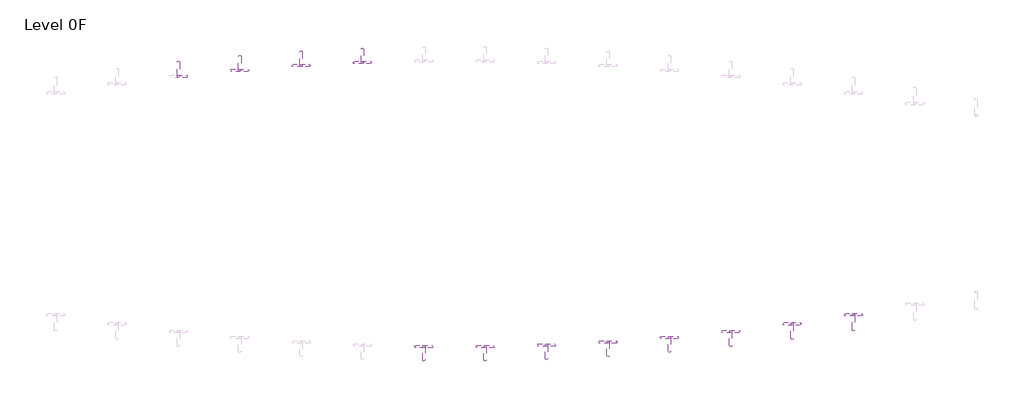
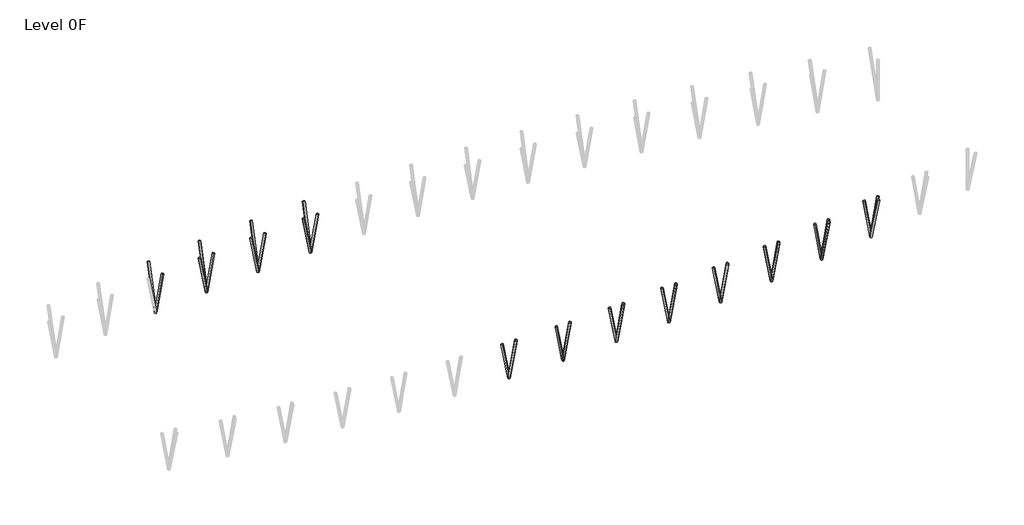
# One storey, part 2 of 3: 35 columns.
"""IFC4 building model written with IfcOpenShell, lengths in millimetres."""

from ifc_helpers import new_model, si_unit, point, frame, frame_2d, origin, place, context, project, spatial, circle_curve, trimmed, segment, composite_curve, outline, extrude, element, save

model = new_model("IFC4")

# Units and contexts
model_context = context("Model", 3, world=origin())
ifc_project = project(units=[si_unit("LENGTHUNIT", "METRE", prefix="MILLI")], contexts=[model_context])

# Site, building, storey
site = spatial("IfcSite", under=ifc_project)
building = spatial("IfcBuilding", under=site)
storey = spatial("IfcBuildingStorey", under=building, Name="Level 0F", Elevation=-1600.0)

# Columns
placement = place(None, origin())
element("IfcColumn", 1, ObjectType="CHS-Round tubes-Column : CHS 244.5x6", at=placement, inside=storey, context=model_context, shape_type="SweptSolid", body=[
    extrude(outline(composite_curve([segment(trimmed(circle_curve(frame_2d((0.0, -122.25)), 122.25), [point((0.0, -244.5))], [point((0.0, 0.0))], False, "CARTESIAN"), True, "CONTINUOUS"), segment(trimmed(circle_curve(frame_2d((0.0, -122.25)), 122.25), [point((0.0, 0.0))], [point((0.0, -244.5))], False, "CARTESIAN"), True, "CONTINUOUS")], self_intersect=False), holes=[composite_curve([segment(trimmed(circle_curve(frame_2d((0.0, -122.25)), 116.25), [point((0.0, -238.5))], [point((0.0, -6.0))], True, "CARTESIAN"), True, "CONTINUOUS"), segment(trimmed(circle_curve(frame_2d((0.0, -122.25)), 116.25), [point((0.0, -6.0))], [point((0.0, -238.5))], True, "CARTESIAN"), True, "CONTINUOUS")], self_intersect=False)]), frame((-20300.4216814, 32861.789376, -100.0), z_axis=(0.0, 0.2567079480598699, 0.9664890218739638), x_axis=(0.0, 0.9664890218739638, -0.2567079480598699)), (0.0, 0.0, 1.0), 5276.8272557),
])
element("IfcColumn", 2, ObjectType="CHS-Round tubes-Column : CHS 244.5x6", at=placement, inside=storey, context=model_context, shape_type="SweptSolid", body=[
    extrude(outline(composite_curve([segment(trimmed(circle_curve(frame_2d((0.0, -122.25)), 122.25), [point((0.0, -244.5))], [point((0.0, 0.0))], False, "CARTESIAN"), True, "CONTINUOUS"), segment(trimmed(circle_curve(frame_2d((0.0, -122.25)), 122.25), [point((0.0, 0.0))], [point((0.0, -244.5))], False, "CARTESIAN"), True, "CONTINUOUS")], self_intersect=False), holes=[composite_curve([segment(trimmed(circle_curve(frame_2d((0.0, -122.25)), 116.25), [point((0.0, -238.5))], [point((0.0, -6.0))], True, "CARTESIAN"), True, "CONTINUOUS"), segment(trimmed(circle_curve(frame_2d((0.0, -122.25)), 116.25), [point((0.0, -6.0))], [point((0.0, -238.5))], True, "CARTESIAN"), True, "CONTINUOUS")], self_intersect=False)]), frame((-14418.0668452, 33445.2054656, -100.0), z_axis=(0.0, 0.25142450676451367, 0.9678769123179978), x_axis=(0.0, 0.9678769123179978, -0.25142450676451367)), (0.0, 0.0, 1.0), 5269.2604927),
])
element("IfcColumn", 3, ObjectType="CHS-Round tubes-Column : CHS 244.5x6", at=placement, inside=storey, context=model_context, shape_type="SweptSolid", body=[
    extrude(outline(composite_curve([segment(trimmed(circle_curve(frame_2d((0.0, -122.25)), 122.25), [point((0.0, -244.5))], [point((0.0, 0.0))], False, "CARTESIAN"), True, "CONTINUOUS"), segment(trimmed(circle_curve(frame_2d((0.0, -122.25)), 122.25), [point((0.0, 0.0))], [point((0.0, -244.5))], False, "CARTESIAN"), True, "CONTINUOUS")], self_intersect=False), holes=[composite_curve([segment(trimmed(circle_curve(frame_2d((0.0, -122.25)), 116.25), [point((0.0, -238.5))], [point((0.0, -6.0))], True, "CARTESIAN"), True, "CONTINUOUS"), segment(trimmed(circle_curve(frame_2d((0.0, -122.25)), 116.25), [point((0.0, -6.0))], [point((0.0, -238.5))], True, "CARTESIAN"), True, "CONTINUOUS")], self_intersect=False)]), frame((-8535.712009, 33882.533172, -100.0), z_axis=(0.0, 0.2474888909356935, 0.9688907311267976), x_axis=(0.0, 0.9688907311267976, -0.2474888909356935)), (0.0, 0.0, 1.0), 5263.7468645),
])
element("IfcColumn", 4, ObjectType="CHS-Round tubes-Column : CHS 244.5x6", at=placement, inside=storey, context=model_context, shape_type="SweptSolid", body=[
    extrude(outline(composite_curve([segment(trimmed(circle_curve(frame_2d((0.0, -122.25)), 122.25), [point((0.0, -244.5))], [point((0.0, 0.0))], False, "CARTESIAN"), True, "CONTINUOUS"), segment(trimmed(circle_curve(frame_2d((0.0, -122.25)), 122.25), [point((0.0, 0.0))], [point((0.0, -244.5))], False, "CARTESIAN"), True, "CONTINUOUS")], self_intersect=False), holes=[composite_curve([segment(trimmed(circle_curve(frame_2d((0.0, -122.25)), 116.25), [point((0.0, -238.5))], [point((0.0, -6.0))], True, "CARTESIAN"), True, "CONTINUOUS"), segment(trimmed(circle_curve(frame_2d((0.0, -122.25)), 116.25), [point((0.0, -6.0))], [point((0.0, -238.5))], True, "CARTESIAN"), True, "CONTINUOUS")], self_intersect=False)]), frame((-2653.3571728, 34173.9303154, -100.0), z_axis=(0.0, 0.24488595042368327, 0.9695518920022226), x_axis=(0.0, 0.9695518920022226, -0.24488595042368327)), (0.0, 0.0, 1.0), 5260.1573692),
])
element("IfcColumn", 5, ObjectType="CHS-Round tubes-Column : CHS 244.5x6", at=placement, inside=storey, context=model_context, shape_type="SweptSolid", body=[
    extrude(outline(composite_curve([segment(trimmed(circle_curve(frame_2d((0.0, -122.25)), 122.25), [point((0.0, -244.5))], [point((0.0, 0.0))], False, "CARTESIAN"), True, "CONTINUOUS"), segment(trimmed(circle_curve(frame_2d((0.0, -122.25)), 122.25), [point((0.0, 0.0))], [point((0.0, -244.5))], False, "CARTESIAN"), True, "CONTINUOUS")], self_intersect=False), holes=[composite_curve([segment(trimmed(circle_curve(frame_2d((0.0, -122.25)), 116.25), [point((0.0, -238.5))], [point((0.0, -6.0))], True, "CARTESIAN"), True, "CONTINUOUS"), segment(trimmed(circle_curve(frame_2d((0.0, -122.25)), 116.25), [point((0.0, -6.0))], [point((0.0, -238.5))], True, "CARTESIAN"), True, "CONTINUOUS")], self_intersect=False)]), frame((3473.4976633, 6915.9749688, -100.0), z_axis=(0.0, -0.24359208578786784, 0.9698777736093946), x_axis=(0.0, -0.9698777736093946, -0.24359208578786784)), (0.0, 0.0, 1.0), 5258.3899322),
])
element("IfcColumn", 6, ObjectType="CHS-Round tubes-Column : CHS 244.5x6", at=placement, inside=storey, context=model_context, shape_type="SweptSolid", body=[
    extrude(outline(composite_curve([segment(trimmed(circle_curve(frame_2d((0.0, -122.25)), 122.25), [point((0.0, -244.5))], [point((0.0, 0.0))], False, "CARTESIAN"), True, "CONTINUOUS"), segment(trimmed(circle_curve(frame_2d((0.0, -122.25)), 122.25), [point((0.0, 0.0))], [point((0.0, -244.5))], False, "CARTESIAN"), True, "CONTINUOUS")], self_intersect=False), holes=[composite_curve([segment(trimmed(circle_curve(frame_2d((0.0, -122.25)), 116.25), [point((0.0, -238.5))], [point((0.0, -6.0))], True, "CARTESIAN"), True, "CONTINUOUS"), segment(trimmed(circle_curve(frame_2d((0.0, -122.25)), 116.25), [point((0.0, -6.0))], [point((0.0, -238.5))], True, "CARTESIAN"), True, "CONTINUOUS")], self_intersect=False)]), frame((9355.8524995, 6915.9749688, -100.0), z_axis=(0.0, -0.24359208578786828, 0.9698777736093945), x_axis=(0.0, -0.9698777736093945, -0.24359208578786828)), (0.0, 0.0, 1.0), 5258.3899322),
])
element("IfcColumn", 7, ObjectType="CHS-Round tubes-Column : CHS 244.5x6", at=placement, inside=storey, context=model_context, shape_type="SweptSolid", body=[
    extrude(outline(composite_curve([segment(trimmed(circle_curve(frame_2d((0.0, -122.25)), 122.25), [point((0.0, -244.5))], [point((0.0, 0.0))], False, "CARTESIAN"), True, "CONTINUOUS"), segment(trimmed(circle_curve(frame_2d((0.0, -122.25)), 122.25), [point((0.0, 0.0))], [point((0.0, -244.5))], False, "CARTESIAN"), True, "CONTINUOUS")], self_intersect=False), holes=[composite_curve([segment(trimmed(circle_curve(frame_2d((0.0, -122.25)), 116.25), [point((0.0, -238.5))], [point((0.0, -6.0))], True, "CARTESIAN"), True, "CONTINUOUS"), segment(trimmed(circle_curve(frame_2d((0.0, -122.25)), 116.25), [point((0.0, -6.0))], [point((0.0, -238.5))], True, "CARTESIAN"), True, "CONTINUOUS")], self_intersect=False)]), frame((15238.2073357, 7061.6198873, -100.0), z_axis=(0.0, -0.24488595042368555, 0.9695518920022219), x_axis=(0.0, -0.9695518920022219, -0.24488595042368555)), (0.0, 0.0, 1.0), 5260.1573692),
])
element("IfcColumn", 8, ObjectType="CHS-Round tubes-Column : CHS 244.5x6", at=placement, inside=storey, context=model_context, shape_type="SweptSolid", body=[
    extrude(outline(composite_curve([segment(trimmed(circle_curve(frame_2d((0.0, -122.25)), 122.25), [point((0.0, -244.5))], [point((0.0, 0.0))], False, "CARTESIAN"), True, "CONTINUOUS"), segment(trimmed(circle_curve(frame_2d((0.0, -122.25)), 122.25), [point((0.0, 0.0))], [point((0.0, -244.5))], False, "CARTESIAN"), True, "CONTINUOUS")], self_intersect=False), holes=[composite_curve([segment(trimmed(circle_curve(frame_2d((0.0, -122.25)), 116.25), [point((0.0, -238.5))], [point((0.0, -6.0))], True, "CARTESIAN"), True, "CONTINUOUS"), segment(trimmed(circle_curve(frame_2d((0.0, -122.25)), 116.25), [point((0.0, -6.0))], [point((0.0, -238.5))], True, "CARTESIAN"), True, "CONTINUOUS")], self_intersect=False)]), frame((21120.5621719, 7353.0170307, -100.0), z_axis=(0.0, -0.24748889093569654, 0.9688907311267969), x_axis=(0.0, -0.9688907311267969, -0.24748889093569654)), (0.0, 0.0, 1.0), 5263.7468645),
])
element("IfcColumn", 9, ObjectType="CHS-Round tubes-Column : CHS 244.5x6", at=placement, inside=storey, context=model_context, shape_type="SweptSolid", body=[
    extrude(outline(composite_curve([segment(trimmed(circle_curve(frame_2d((0.0, -122.25)), 122.25), [point((0.0, -244.5))], [point((0.0, 0.0))], False, "CARTESIAN"), True, "CONTINUOUS"), segment(trimmed(circle_curve(frame_2d((0.0, -122.25)), 122.25), [point((0.0, 0.0))], [point((0.0, -244.5))], False, "CARTESIAN"), True, "CONTINUOUS")], self_intersect=False), holes=[composite_curve([segment(trimmed(circle_curve(frame_2d((0.0, -122.25)), 116.25), [point((0.0, -238.5))], [point((0.0, -6.0))], True, "CARTESIAN"), True, "CONTINUOUS"), segment(trimmed(circle_curve(frame_2d((0.0, -122.25)), 116.25), [point((0.0, -6.0))], [point((0.0, -238.5))], True, "CARTESIAN"), True, "CONTINUOUS")], self_intersect=False)]), frame((27002.9170081, 7790.3447371, -100.0), z_axis=(0.0, -0.2514245067645076, 0.9678769123179993), x_axis=(0.0, -0.9678769123179993, -0.2514245067645076)), (0.0, 0.0, 1.0), 5269.2604927),
])
element("IfcColumn", 10, ObjectType="CHS-Round tubes-Column : CHS 244.5x6", at=placement, inside=storey, context=model_context, shape_type="SweptSolid", body=[
    extrude(outline(composite_curve([segment(trimmed(circle_curve(frame_2d((0.0, -122.25)), 122.25), [point((0.0, -244.5))], [point((0.0, 0.0))], False, "CARTESIAN"), True, "CONTINUOUS"), segment(trimmed(circle_curve(frame_2d((0.0, -122.25)), 122.25), [point((0.0, 0.0))], [point((0.0, -244.5))], False, "CARTESIAN"), True, "CONTINUOUS")], self_intersect=False), holes=[composite_curve([segment(trimmed(circle_curve(frame_2d((0.0, -122.25)), 116.25), [point((0.0, -238.5))], [point((0.0, -6.0))], True, "CARTESIAN"), True, "CONTINUOUS"), segment(trimmed(circle_curve(frame_2d((0.0, -122.25)), 116.25), [point((0.0, -6.0))], [point((0.0, -238.5))], True, "CARTESIAN"), True, "CONTINUOUS")], self_intersect=False)]), frame((32885.2718442, 8373.7608267, -100.0), z_axis=(0.0, -0.25670794805985836, 0.9664890218739669), x_axis=(0.0, -0.9664890218739669, -0.25670794805985836)), (0.0, 0.0, 1.0), 5276.8272557),
])
element("IfcColumn", 11, ObjectType="CHS-Round tubes-Column : CHS 244.5x6", at=placement, inside=storey, context=model_context, shape_type="SweptSolid", body=[
    extrude(outline(composite_curve([segment(trimmed(circle_curve(frame_2d((0.0, -122.25)), 122.25), [point((0.0, -244.5))], [point((0.0, 0.0))], False, "CARTESIAN"), True, "CONTINUOUS"), segment(trimmed(circle_curve(frame_2d((0.0, -122.25)), 122.25), [point((0.0, 0.0))], [point((0.0, -244.5))], False, "CARTESIAN"), True, "CONTINUOUS")], self_intersect=False), holes=[composite_curve([segment(trimmed(circle_curve(frame_2d((0.0, -122.25)), 116.25), [point((0.0, -238.5))], [point((0.0, -6.0))], True, "CARTESIAN"), True, "CONTINUOUS"), segment(trimmed(circle_curve(frame_2d((0.0, -122.25)), 116.25), [point((0.0, -6.0))], [point((0.0, -238.5))], True, "CARTESIAN"), True, "CONTINUOUS")], self_intersect=False)]), frame((38767.6266804, 9103.2108385, -100.0), z_axis=(0.0, -0.26331165761145847, 0.9647108224571268), x_axis=(0.0, -0.9647108224571268, -0.26331165761145847)), (0.0, 0.0, 1.0), 5286.5537947),
])
element("IfcColumn", 12, ObjectType="CHS-Round tubes-Column : CHS 244.5x6", at=placement, inside=storey, context=model_context, shape_type="SweptSolid", body=[
    extrude(outline(composite_curve([segment(trimmed(circle_curve(frame_2d((0.0, -122.25)), 122.25), [point((0.0, -244.5))], [point((0.0, 0.0))], False, "CARTESIAN"), True, "CONTINUOUS"), segment(trimmed(circle_curve(frame_2d((0.0, -122.25)), 122.25), [point((0.0, 0.0))], [point((0.0, -244.5))], False, "CARTESIAN"), True, "CONTINUOUS")], self_intersect=False), holes=[composite_curve([segment(trimmed(circle_curve(frame_2d((0.0, -122.25)), 116.25), [point((0.0, -238.5))], [point((0.0, -6.0))], True, "CARTESIAN"), True, "CONTINUOUS"), segment(trimmed(circle_curve(frame_2d((0.0, -122.25)), 116.25), [point((0.0, -6.0))], [point((0.0, -238.5))], True, "CARTESIAN"), True, "CONTINUOUS")], self_intersect=False)]), frame((44649.9815166, 9978.0521776, -100.0), z_axis=(0.0, -0.2711002690804274, 0.9625511124633954), x_axis=(0.0, -0.9625511124633954, -0.2711002690804274)), (0.0, 0.0, 1.0), 5298.4154803),
])
element("IfcColumn", 13, ObjectType="CHS-Round tubes-Column : CHS 244.5x6", at=placement, inside=storey, context=model_context, shape_type="SweptSolid", body=[
    extrude(outline(composite_curve([segment(trimmed(circle_curve(frame_2d((0.0, -122.25)), 122.25), [point((0.0, -244.5))], [point((0.0, 0.0))], False, "CARTESIAN"), True, "CONTINUOUS"), segment(trimmed(circle_curve(frame_2d((0.0, -122.25)), 122.25), [point((0.0, 0.0))], [point((0.0, -244.5))], False, "CARTESIAN"), True, "CONTINUOUS")], self_intersect=False), holes=[composite_curve([segment(trimmed(circle_curve(frame_2d((0.0, -122.25)), 116.25), [point((0.0, -238.5))], [point((0.0, -6.0))], True, "CARTESIAN"), True, "CONTINUOUS"), segment(trimmed(circle_curve(frame_2d((0.0, -122.25)), 116.25), [point((0.0, -6.0))], [point((0.0, -238.5))], True, "CARTESIAN"), True, "CONTINUOUS")], self_intersect=False)]), frame((-20178.1716814, 32984.039376, -100.0), z_axis=(0.17384494441151727, 0.0, 0.9847730374571374), x_axis=(0.9847730374571374, 0.0, -0.17384494441151727)), (0.0, 0.0, 1.0), 4314.1893055),
])
element("IfcColumn", 14, ObjectType="CHS-Round tubes-Column : CHS 244.5x6", at=placement, inside=storey, context=model_context, shape_type="SweptSolid", body=[
    extrude(outline(composite_curve([segment(trimmed(circle_curve(frame_2d((0.0, -122.25)), 122.25), [point((0.0, -244.5))], [point((0.0, 0.0))], False, "CARTESIAN"), True, "CONTINUOUS"), segment(trimmed(circle_curve(frame_2d((0.0, -122.25)), 122.25), [point((0.0, 0.0))], [point((0.0, -244.5))], False, "CARTESIAN"), True, "CONTINUOUS")], self_intersect=False), holes=[composite_curve([segment(trimmed(circle_curve(frame_2d((0.0, -122.25)), 116.25), [point((0.0, -238.5))], [point((0.0, -6.0))], True, "CARTESIAN"), True, "CONTINUOUS"), segment(trimmed(circle_curve(frame_2d((0.0, -122.25)), 116.25), [point((0.0, -6.0))], [point((0.0, -238.5))], True, "CARTESIAN"), True, "CONTINUOUS")], self_intersect=False)]), frame((-14295.8168452, 33567.4554656, -100.0), z_axis=(0.17567462869517886, 0.0, 0.9844482844887339), x_axis=(0.9844482844887339, 0.0, -0.17567462869517886)), (0.0, 0.0, 1.0), 4269.2562129),
])
element("IfcColumn", 15, ObjectType="CHS-Round tubes-Column : CHS 244.5x6", at=placement, inside=storey, context=model_context, shape_type="SweptSolid", body=[
    extrude(outline(composite_curve([segment(trimmed(circle_curve(frame_2d((0.0, -122.25)), 122.25), [point((0.0, -244.5))], [point((0.0, 0.0))], False, "CARTESIAN"), True, "CONTINUOUS"), segment(trimmed(circle_curve(frame_2d((0.0, -122.25)), 122.25), [point((0.0, 0.0))], [point((0.0, -244.5))], False, "CARTESIAN"), True, "CONTINUOUS")], self_intersect=False), holes=[composite_curve([segment(trimmed(circle_curve(frame_2d((0.0, -122.25)), 116.25), [point((0.0, -238.5))], [point((0.0, -6.0))], True, "CARTESIAN"), True, "CONTINUOUS"), segment(trimmed(circle_curve(frame_2d((0.0, -122.25)), 116.25), [point((0.0, -6.0))], [point((0.0, -238.5))], True, "CARTESIAN"), True, "CONTINUOUS")], self_intersect=False)]), frame((-14295.8168452, 33322.9554656, -100.0), z_axis=(-0.17567462869517886, 0.0, 0.9844482844887339), x_axis=(-0.9844482844887339, 0.0, -0.17567462869517886)), (0.0, 0.0, 1.0), 4269.2562129),
])
element("IfcColumn", 16, ObjectType="CHS-Round tubes-Column : CHS 244.5x6", at=placement, inside=storey, context=model_context, shape_type="SweptSolid", body=[
    extrude(outline(composite_curve([segment(trimmed(circle_curve(frame_2d((0.0, -122.25)), 122.25), [point((0.0, -244.5))], [point((0.0, 0.0))], False, "CARTESIAN"), True, "CONTINUOUS"), segment(trimmed(circle_curve(frame_2d((0.0, -122.25)), 122.25), [point((0.0, 0.0))], [point((0.0, -244.5))], False, "CARTESIAN"), True, "CONTINUOUS")], self_intersect=False), holes=[composite_curve([segment(trimmed(circle_curve(frame_2d((0.0, -122.25)), 116.25), [point((0.0, -238.5))], [point((0.0, -6.0))], True, "CARTESIAN"), True, "CONTINUOUS"), segment(trimmed(circle_curve(frame_2d((0.0, -122.25)), 116.25), [point((0.0, -6.0))], [point((0.0, -238.5))], True, "CARTESIAN"), True, "CONTINUOUS")], self_intersect=False)]), frame((-8413.462009, 34004.783172, -100.0), z_axis=(0.17697230239487147, 0.0, 0.984215832114612), x_axis=(0.984215832114612, 0.0, -0.17697230239487147)), (0.0, 0.0, 1.0), 4237.9513057),
])
element("IfcColumn", 17, ObjectType="CHS-Round tubes-Column : CHS 244.5x6", at=placement, inside=storey, context=model_context, shape_type="SweptSolid", body=[
    extrude(outline(composite_curve([segment(trimmed(circle_curve(frame_2d((0.0, -122.25)), 122.25), [point((0.0, -244.5))], [point((0.0, 0.0))], False, "CARTESIAN"), True, "CONTINUOUS"), segment(trimmed(circle_curve(frame_2d((0.0, -122.25)), 122.25), [point((0.0, 0.0))], [point((0.0, -244.5))], False, "CARTESIAN"), True, "CONTINUOUS")], self_intersect=False), holes=[composite_curve([segment(trimmed(circle_curve(frame_2d((0.0, -122.25)), 116.25), [point((0.0, -238.5))], [point((0.0, -6.0))], True, "CARTESIAN"), True, "CONTINUOUS"), segment(trimmed(circle_curve(frame_2d((0.0, -122.25)), 116.25), [point((0.0, -6.0))], [point((0.0, -238.5))], True, "CARTESIAN"), True, "CONTINUOUS")], self_intersect=False)]), frame((-8413.462009, 33760.283172, -100.0), z_axis=(-0.17697230239487147, 0.0, 0.984215832114612), x_axis=(-0.984215832114612, 0.0, -0.17697230239487147)), (0.0, 0.0, 1.0), 4237.9513057),
])
element("IfcColumn", 18, ObjectType="CHS-Round tubes-Column : CHS 244.5x6", at=placement, inside=storey, context=model_context, shape_type="SweptSolid", body=[
    extrude(outline(composite_curve([segment(trimmed(circle_curve(frame_2d((0.0, -122.25)), 122.25), [point((0.0, -244.5))], [point((0.0, 0.0))], False, "CARTESIAN"), True, "CONTINUOUS"), segment(trimmed(circle_curve(frame_2d((0.0, -122.25)), 122.25), [point((0.0, 0.0))], [point((0.0, -244.5))], False, "CARTESIAN"), True, "CONTINUOUS")], self_intersect=False), holes=[composite_curve([segment(trimmed(circle_curve(frame_2d((0.0, -122.25)), 116.25), [point((0.0, -238.5))], [point((0.0, -6.0))], True, "CARTESIAN"), True, "CONTINUOUS"), segment(trimmed(circle_curve(frame_2d((0.0, -122.25)), 116.25), [point((0.0, -6.0))], [point((0.0, -238.5))], True, "CARTESIAN"), True, "CONTINUOUS")], self_intersect=False)]), frame((-2531.1071728, 34296.1803154, -100.0), z_axis=(0.17780283317114165, 0.0, 0.9840661321864071), x_axis=(0.9840661321864071, 0.0, -0.17780283317114165)), (0.0, 0.0, 1.0), 4218.1555076),
])
element("IfcColumn", 19, ObjectType="CHS-Round tubes-Column : CHS 244.5x6", at=placement, inside=storey, context=model_context, shape_type="SweptSolid", body=[
    extrude(outline(composite_curve([segment(trimmed(circle_curve(frame_2d((0.0, -122.25)), 122.25), [point((0.0, -244.5))], [point((0.0, 0.0))], False, "CARTESIAN"), True, "CONTINUOUS"), segment(trimmed(circle_curve(frame_2d((0.0, -122.25)), 122.25), [point((0.0, 0.0))], [point((0.0, -244.5))], False, "CARTESIAN"), True, "CONTINUOUS")], self_intersect=False), holes=[composite_curve([segment(trimmed(circle_curve(frame_2d((0.0, -122.25)), 116.25), [point((0.0, -238.5))], [point((0.0, -6.0))], True, "CARTESIAN"), True, "CONTINUOUS"), segment(trimmed(circle_curve(frame_2d((0.0, -122.25)), 116.25), [point((0.0, -6.0))], [point((0.0, -238.5))], True, "CARTESIAN"), True, "CONTINUOUS")], self_intersect=False)]), frame((-2531.1071728, 34051.6803154, -100.0), z_axis=(-0.17780283317114165, 0.0, 0.9840661321864071), x_axis=(-0.9840661321864071, 0.0, -0.17780283317114165)), (0.0, 0.0, 1.0), 4218.1555076),
])
element("IfcColumn", 20, ObjectType="CHS-Round tubes-Column : CHS 244.5x6", at=placement, inside=storey, context=model_context, shape_type="SweptSolid", body=[
    extrude(outline(composite_curve([segment(trimmed(circle_curve(frame_2d((0.0, -122.25)), 122.25), [point((0.0, -244.5))], [point((0.0, 0.0))], False, "CARTESIAN"), True, "CONTINUOUS"), segment(trimmed(circle_curve(frame_2d((0.0, -122.25)), 122.25), [point((0.0, 0.0))], [point((0.0, -244.5))], False, "CARTESIAN"), True, "CONTINUOUS")], self_intersect=False), holes=[composite_curve([segment(trimmed(circle_curve(frame_2d((0.0, -122.25)), 116.25), [point((0.0, -238.5))], [point((0.0, -6.0))], True, "CARTESIAN"), True, "CONTINUOUS"), segment(trimmed(circle_curve(frame_2d((0.0, -122.25)), 116.25), [point((0.0, -6.0))], [point((0.0, -238.5))], True, "CARTESIAN"), True, "CONTINUOUS")], self_intersect=False)]), frame((3351.2476633, 7038.2249688, -100.0), z_axis=(0.178207937453832, 0.0, 0.9839928511063742), x_axis=(0.9839928511063742, 0.0, -0.178207937453832)), (0.0, 0.0, 1.0), 4208.5667491),
])
element("IfcColumn", 21, ObjectType="CHS-Round tubes-Column : CHS 244.5x6", at=placement, inside=storey, context=model_context, shape_type="SweptSolid", body=[
    extrude(outline(composite_curve([segment(trimmed(circle_curve(frame_2d((0.0, -122.25)), 122.25), [point((0.0, -244.5))], [point((0.0, 0.0))], False, "CARTESIAN"), True, "CONTINUOUS"), segment(trimmed(circle_curve(frame_2d((0.0, -122.25)), 122.25), [point((0.0, 0.0))], [point((0.0, -244.5))], False, "CARTESIAN"), True, "CONTINUOUS")], self_intersect=False), holes=[composite_curve([segment(trimmed(circle_curve(frame_2d((0.0, -122.25)), 116.25), [point((0.0, -238.5))], [point((0.0, -6.0))], True, "CARTESIAN"), True, "CONTINUOUS"), segment(trimmed(circle_curve(frame_2d((0.0, -122.25)), 116.25), [point((0.0, -6.0))], [point((0.0, -238.5))], True, "CARTESIAN"), True, "CONTINUOUS")], self_intersect=False)]), frame((3351.2476633, 6793.7249688, -100.0), z_axis=(-0.1782079374538319, 0.0, 0.9839928511063742), x_axis=(-0.9839928511063742, 0.0, -0.1782079374538319)), (0.0, 0.0, 1.0), 4208.5667491),
])
element("IfcColumn", 22, ObjectType="CHS-Round tubes-Column : CHS 244.5x6", at=placement, inside=storey, context=model_context, shape_type="SweptSolid", body=[
    extrude(outline(composite_curve([segment(trimmed(circle_curve(frame_2d((0.0, -122.25)), 122.25), [point((0.0, -244.5))], [point((0.0, 0.0))], False, "CARTESIAN"), True, "CONTINUOUS"), segment(trimmed(circle_curve(frame_2d((0.0, -122.25)), 122.25), [point((0.0, 0.0))], [point((0.0, -244.5))], False, "CARTESIAN"), True, "CONTINUOUS")], self_intersect=False), holes=[composite_curve([segment(trimmed(circle_curve(frame_2d((0.0, -122.25)), 116.25), [point((0.0, -238.5))], [point((0.0, -6.0))], True, "CARTESIAN"), True, "CONTINUOUS"), segment(trimmed(circle_curve(frame_2d((0.0, -122.25)), 116.25), [point((0.0, -6.0))], [point((0.0, -238.5))], True, "CARTESIAN"), True, "CONTINUOUS")], self_intersect=False)]), frame((9233.6024995, 7038.2249688, -100.0), z_axis=(0.17820793745383104, 0.0, 0.9839928511063744), x_axis=(0.9839928511063744, 0.0, -0.17820793745383104)), (0.0, 0.0, 1.0), 4208.5667491),
])
element("IfcColumn", 23, ObjectType="CHS-Round tubes-Column : CHS 244.5x6", at=placement, inside=storey, context=model_context, shape_type="SweptSolid", body=[
    extrude(outline(composite_curve([segment(trimmed(circle_curve(frame_2d((0.0, -122.25)), 122.25), [point((0.0, -244.5))], [point((0.0, 0.0))], False, "CARTESIAN"), True, "CONTINUOUS"), segment(trimmed(circle_curve(frame_2d((0.0, -122.25)), 122.25), [point((0.0, 0.0))], [point((0.0, -244.5))], False, "CARTESIAN"), True, "CONTINUOUS")], self_intersect=False), holes=[composite_curve([segment(trimmed(circle_curve(frame_2d((0.0, -122.25)), 116.25), [point((0.0, -238.5))], [point((0.0, -6.0))], True, "CARTESIAN"), True, "CONTINUOUS"), segment(trimmed(circle_curve(frame_2d((0.0, -122.25)), 116.25), [point((0.0, -6.0))], [point((0.0, -238.5))], True, "CARTESIAN"), True, "CONTINUOUS")], self_intersect=False)]), frame((9233.6024995, 6793.7249688, -100.0), z_axis=(-0.17820793745383082, 0.0, 0.9839928511063745), x_axis=(-0.9839928511063745, 0.0, -0.17820793745383082)), (0.0, 0.0, 1.0), 4208.5667491),
])
element("IfcColumn", 24, ObjectType="CHS-Round tubes-Column : CHS 244.5x6", at=placement, inside=storey, context=model_context, shape_type="SweptSolid", body=[
    extrude(outline(composite_curve([segment(trimmed(circle_curve(frame_2d((0.0, -122.25)), 122.25), [point((0.0, -244.5))], [point((0.0, 0.0))], False, "CARTESIAN"), True, "CONTINUOUS"), segment(trimmed(circle_curve(frame_2d((0.0, -122.25)), 122.25), [point((0.0, 0.0))], [point((0.0, -244.5))], False, "CARTESIAN"), True, "CONTINUOUS")], self_intersect=False), holes=[composite_curve([segment(trimmed(circle_curve(frame_2d((0.0, -122.25)), 116.25), [point((0.0, -238.5))], [point((0.0, -6.0))], True, "CARTESIAN"), True, "CONTINUOUS"), segment(trimmed(circle_curve(frame_2d((0.0, -122.25)), 116.25), [point((0.0, -6.0))], [point((0.0, -238.5))], True, "CARTESIAN"), True, "CONTINUOUS")], self_intersect=False)]), frame((15115.9573357, 7183.8698873, -100.0), z_axis=(0.17780283317114132, 0.0, 0.9840661321864071), x_axis=(0.9840661321864071, 0.0, -0.17780283317114132)), (0.0, 0.0, 1.0), 4218.1555076),
])
element("IfcColumn", 25, ObjectType="CHS-Round tubes-Column : CHS 244.5x6", at=placement, inside=storey, context=model_context, shape_type="SweptSolid", body=[
    extrude(outline(composite_curve([segment(trimmed(circle_curve(frame_2d((0.0, -122.25)), 122.25), [point((0.0, -244.5))], [point((0.0, 0.0))], False, "CARTESIAN"), True, "CONTINUOUS"), segment(trimmed(circle_curve(frame_2d((0.0, -122.25)), 122.25), [point((0.0, 0.0))], [point((0.0, -244.5))], False, "CARTESIAN"), True, "CONTINUOUS")], self_intersect=False), holes=[composite_curve([segment(trimmed(circle_curve(frame_2d((0.0, -122.25)), 116.25), [point((0.0, -238.5))], [point((0.0, -6.0))], True, "CARTESIAN"), True, "CONTINUOUS"), segment(trimmed(circle_curve(frame_2d((0.0, -122.25)), 116.25), [point((0.0, -6.0))], [point((0.0, -238.5))], True, "CARTESIAN"), True, "CONTINUOUS")], self_intersect=False)]), frame((15115.9573357, 6939.3698873, -100.0), z_axis=(-0.17780283317114132, 0.0, 0.9840661321864071), x_axis=(-0.9840661321864071, 0.0, -0.17780283317114132)), (0.0, 0.0, 1.0), 4218.1555076),
])
element("IfcColumn", 26, ObjectType="CHS-Round tubes-Column : CHS 244.5x6", at=placement, inside=storey, context=model_context, shape_type="SweptSolid", body=[
    extrude(outline(composite_curve([segment(trimmed(circle_curve(frame_2d((0.0, -122.25)), 122.25), [point((0.0, -244.5))], [point((0.0, 0.0))], False, "CARTESIAN"), True, "CONTINUOUS"), segment(trimmed(circle_curve(frame_2d((0.0, -122.25)), 122.25), [point((0.0, 0.0))], [point((0.0, -244.5))], False, "CARTESIAN"), True, "CONTINUOUS")], self_intersect=False), holes=[composite_curve([segment(trimmed(circle_curve(frame_2d((0.0, -122.25)), 116.25), [point((0.0, -238.5))], [point((0.0, -6.0))], True, "CARTESIAN"), True, "CONTINUOUS"), segment(trimmed(circle_curve(frame_2d((0.0, -122.25)), 116.25), [point((0.0, -6.0))], [point((0.0, -238.5))], True, "CARTESIAN"), True, "CONTINUOUS")], self_intersect=False)]), frame((20998.3121719, 7475.2670307, -100.0), z_axis=(0.17697230239486814, 0.0, 0.9842158321146126), x_axis=(0.9842158321146126, 0.0, -0.17697230239486814)), (0.0, 0.0, 1.0), 4237.9513057),
])
element("IfcColumn", 27, ObjectType="CHS-Round tubes-Column : CHS 244.5x6", at=placement, inside=storey, context=model_context, shape_type="SweptSolid", body=[
    extrude(outline(composite_curve([segment(trimmed(circle_curve(frame_2d((0.0, -122.25)), 122.25), [point((0.0, -244.5))], [point((0.0, 0.0))], False, "CARTESIAN"), True, "CONTINUOUS"), segment(trimmed(circle_curve(frame_2d((0.0, -122.25)), 122.25), [point((0.0, 0.0))], [point((0.0, -244.5))], False, "CARTESIAN"), True, "CONTINUOUS")], self_intersect=False), holes=[composite_curve([segment(trimmed(circle_curve(frame_2d((0.0, -122.25)), 116.25), [point((0.0, -238.5))], [point((0.0, -6.0))], True, "CARTESIAN"), True, "CONTINUOUS"), segment(trimmed(circle_curve(frame_2d((0.0, -122.25)), 116.25), [point((0.0, -6.0))], [point((0.0, -238.5))], True, "CARTESIAN"), True, "CONTINUOUS")], self_intersect=False)]), frame((20998.3121719, 7230.7670307, -100.0), z_axis=(-0.17697230239486814, 0.0, 0.9842158321146126), x_axis=(-0.9842158321146126, 0.0, -0.17697230239486814)), (0.0, 0.0, 1.0), 4237.9513057),
])
element("IfcColumn", 28, ObjectType="CHS-Round tubes-Column : CHS 244.5x6", at=placement, inside=storey, context=model_context, shape_type="SweptSolid", body=[
    extrude(outline(composite_curve([segment(trimmed(circle_curve(frame_2d((0.0, -122.25)), 122.25), [point((0.0, -244.5))], [point((0.0, 0.0))], False, "CARTESIAN"), True, "CONTINUOUS"), segment(trimmed(circle_curve(frame_2d((0.0, -122.25)), 122.25), [point((0.0, 0.0))], [point((0.0, -244.5))], False, "CARTESIAN"), True, "CONTINUOUS")], self_intersect=False), holes=[composite_curve([segment(trimmed(circle_curve(frame_2d((0.0, -122.25)), 116.25), [point((0.0, -238.5))], [point((0.0, -6.0))], True, "CARTESIAN"), True, "CONTINUOUS"), segment(trimmed(circle_curve(frame_2d((0.0, -122.25)), 116.25), [point((0.0, -6.0))], [point((0.0, -238.5))], True, "CARTESIAN"), True, "CONTINUOUS")], self_intersect=False)]), frame((26880.6670081, 7912.5947371, -100.0), z_axis=(0.17567462869517694, 0.0, 0.9844482844887342), x_axis=(0.9844482844887342, 0.0, -0.17567462869517694)), (0.0, 0.0, 1.0), 4269.2562129),
])
element("IfcColumn", 29, ObjectType="CHS-Round tubes-Column : CHS 244.5x6", at=placement, inside=storey, context=model_context, shape_type="SweptSolid", body=[
    extrude(outline(composite_curve([segment(trimmed(circle_curve(frame_2d((0.0, -122.25)), 122.25), [point((0.0, -244.5))], [point((0.0, 0.0))], False, "CARTESIAN"), True, "CONTINUOUS"), segment(trimmed(circle_curve(frame_2d((0.0, -122.25)), 122.25), [point((0.0, 0.0))], [point((0.0, -244.5))], False, "CARTESIAN"), True, "CONTINUOUS")], self_intersect=False), holes=[composite_curve([segment(trimmed(circle_curve(frame_2d((0.0, -122.25)), 116.25), [point((0.0, -238.5))], [point((0.0, -6.0))], True, "CARTESIAN"), True, "CONTINUOUS"), segment(trimmed(circle_curve(frame_2d((0.0, -122.25)), 116.25), [point((0.0, -6.0))], [point((0.0, -238.5))], True, "CARTESIAN"), True, "CONTINUOUS")], self_intersect=False)]), frame((26880.6670081, 7668.0947371, -100.0), z_axis=(-0.17567462869517694, 0.0, 0.9844482844887342), x_axis=(-0.9844482844887342, 0.0, -0.17567462869517694)), (0.0, 0.0, 1.0), 4269.2562129),
])
element("IfcColumn", 30, ObjectType="CHS-Round tubes-Column : CHS 244.5x6", at=placement, inside=storey, context=model_context, shape_type="SweptSolid", body=[
    extrude(outline(composite_curve([segment(trimmed(circle_curve(frame_2d((0.0, -122.25)), 122.25), [point((0.0, -244.5))], [point((0.0, 0.0))], False, "CARTESIAN"), True, "CONTINUOUS"), segment(trimmed(circle_curve(frame_2d((0.0, -122.25)), 122.25), [point((0.0, 0.0))], [point((0.0, -244.5))], False, "CARTESIAN"), True, "CONTINUOUS")], self_intersect=False), holes=[composite_curve([segment(trimmed(circle_curve(frame_2d((0.0, -122.25)), 116.25), [point((0.0, -238.5))], [point((0.0, -6.0))], True, "CARTESIAN"), True, "CONTINUOUS"), segment(trimmed(circle_curve(frame_2d((0.0, -122.25)), 116.25), [point((0.0, -6.0))], [point((0.0, -238.5))], True, "CARTESIAN"), True, "CONTINUOUS")], self_intersect=False)]), frame((32763.0218442, 8496.0108267, -100.0), z_axis=(0.17384494441151635, 0.0, 0.9847730374571375), x_axis=(0.9847730374571375, 0.0, -0.17384494441151635)), (0.0, 0.0, 1.0), 4314.1893055),
])
element("IfcColumn", 31, ObjectType="CHS-Round tubes-Column : CHS 244.5x6", at=placement, inside=storey, context=model_context, shape_type="SweptSolid", body=[
    extrude(outline(composite_curve([segment(trimmed(circle_curve(frame_2d((0.0, -122.25)), 122.25), [point((0.0, -244.5))], [point((0.0, 0.0))], False, "CARTESIAN"), True, "CONTINUOUS"), segment(trimmed(circle_curve(frame_2d((0.0, -122.25)), 122.25), [point((0.0, 0.0))], [point((0.0, -244.5))], False, "CARTESIAN"), True, "CONTINUOUS")], self_intersect=False), holes=[composite_curve([segment(trimmed(circle_curve(frame_2d((0.0, -122.25)), 116.25), [point((0.0, -238.5))], [point((0.0, -6.0))], True, "CARTESIAN"), True, "CONTINUOUS"), segment(trimmed(circle_curve(frame_2d((0.0, -122.25)), 116.25), [point((0.0, -6.0))], [point((0.0, -238.5))], True, "CARTESIAN"), True, "CONTINUOUS")], self_intersect=False)]), frame((32763.0218442, 8251.5108267, -100.0), z_axis=(-0.1738449444115154, 0.0, 0.9847730374571377), x_axis=(-0.9847730374571377, 0.0, -0.1738449444115154)), (0.0, 0.0, 1.0), 4314.1893055),
])
element("IfcColumn", 32, ObjectType="CHS-Round tubes-Column : CHS 244.5x6", at=placement, inside=storey, context=model_context, shape_type="SweptSolid", body=[
    extrude(outline(composite_curve([segment(trimmed(circle_curve(frame_2d((0.0, -122.25)), 122.25), [point((0.0, -244.5))], [point((0.0, 0.0))], False, "CARTESIAN"), True, "CONTINUOUS"), segment(trimmed(circle_curve(frame_2d((0.0, -122.25)), 122.25), [point((0.0, 0.0))], [point((0.0, -244.5))], False, "CARTESIAN"), True, "CONTINUOUS")], self_intersect=False), holes=[composite_curve([segment(trimmed(circle_curve(frame_2d((0.0, -122.25)), 116.25), [point((0.0, -238.5))], [point((0.0, -6.0))], True, "CARTESIAN"), True, "CONTINUOUS"), segment(trimmed(circle_curve(frame_2d((0.0, -122.25)), 116.25), [point((0.0, -6.0))], [point((0.0, -238.5))], True, "CARTESIAN"), True, "CONTINUOUS")], self_intersect=False)]), frame((38645.3766804, 9225.4608385, -100.0), z_axis=(0.17139391880269025, 0.0, 0.9852025804866007), x_axis=(0.9852025804866007, 0.0, -0.17139391880269025)), (0.0, 0.0, 1.0), 4375.8845427),
])
element("IfcColumn", 33, ObjectType="CHS-Round tubes-Column : CHS 244.5x6", at=placement, inside=storey, context=model_context, shape_type="SweptSolid", body=[
    extrude(outline(composite_curve([segment(trimmed(circle_curve(frame_2d((0.0, -122.25)), 122.25), [point((0.0, -244.5))], [point((0.0, 0.0))], False, "CARTESIAN"), True, "CONTINUOUS"), segment(trimmed(circle_curve(frame_2d((0.0, -122.25)), 122.25), [point((0.0, 0.0))], [point((0.0, -244.5))], False, "CARTESIAN"), True, "CONTINUOUS")], self_intersect=False), holes=[composite_curve([segment(trimmed(circle_curve(frame_2d((0.0, -122.25)), 116.25), [point((0.0, -238.5))], [point((0.0, -6.0))], True, "CARTESIAN"), True, "CONTINUOUS"), segment(trimmed(circle_curve(frame_2d((0.0, -122.25)), 116.25), [point((0.0, -6.0))], [point((0.0, -238.5))], True, "CARTESIAN"), True, "CONTINUOUS")], self_intersect=False)]), frame((38645.3766804, 8980.9608385, -100.0), z_axis=(-0.17139391880268928, 0.0, 0.9852025804866008), x_axis=(-0.9852025804866008, 0.0, -0.17139391880268928)), (0.0, 0.0, 1.0), 4375.8845427),
])
element("IfcColumn", 34, ObjectType="CHS-Round tubes-Column : CHS 244.5x6", at=placement, inside=storey, context=model_context, shape_type="SweptSolid", body=[
    extrude(outline(composite_curve([segment(trimmed(circle_curve(frame_2d((0.0, -122.25)), 122.25), [point((0.0, -244.5))], [point((0.0, 0.0))], False, "CARTESIAN"), True, "CONTINUOUS"), segment(trimmed(circle_curve(frame_2d((0.0, -122.25)), 122.25), [point((0.0, 0.0))], [point((0.0, -244.5))], False, "CARTESIAN"), True, "CONTINUOUS")], self_intersect=False), holes=[composite_curve([segment(trimmed(circle_curve(frame_2d((0.0, -122.25)), 116.25), [point((0.0, -238.5))], [point((0.0, -6.0))], True, "CARTESIAN"), True, "CONTINUOUS"), segment(trimmed(circle_curve(frame_2d((0.0, -122.25)), 116.25), [point((0.0, -6.0))], [point((0.0, -238.5))], True, "CARTESIAN"), True, "CONTINUOUS")], self_intersect=False)]), frame((44527.7315166, 10100.3021776, -100.0), z_axis=(0.16820962636475975, 0.0, 0.9857512473226844), x_axis=(0.9857512473226844, 0.0, -0.16820962636475975)), (0.0, 0.0, 1.0), 4458.7222278),
])
element("IfcColumn", 35, ObjectType="CHS-Round tubes-Column : CHS 244.5x6", at=placement, inside=storey, context=model_context, shape_type="SweptSolid", body=[
    extrude(outline(composite_curve([segment(trimmed(circle_curve(frame_2d((0.0, -122.25)), 122.25), [point((0.0, -244.5))], [point((0.0, 0.0))], False, "CARTESIAN"), True, "CONTINUOUS"), segment(trimmed(circle_curve(frame_2d((0.0, -122.25)), 122.25), [point((0.0, 0.0))], [point((0.0, -244.5))], False, "CARTESIAN"), True, "CONTINUOUS")], self_intersect=False), holes=[composite_curve([segment(trimmed(circle_curve(frame_2d((0.0, -122.25)), 116.25), [point((0.0, -238.5))], [point((0.0, -6.0))], True, "CARTESIAN"), True, "CONTINUOUS"), segment(trimmed(circle_curve(frame_2d((0.0, -122.25)), 116.25), [point((0.0, -6.0))], [point((0.0, -238.5))], True, "CARTESIAN"), True, "CONTINUOUS")], self_intersect=False)]), frame((44527.7315166, 9855.8021776, -100.0), z_axis=(-0.16820962636475975, 0.0, 0.9857512473226844), x_axis=(-0.9857512473226844, 0.0, -0.16820962636475975)), (0.0, 0.0, 1.0), 4458.7222278),
])

save(model, "model.ifc")
